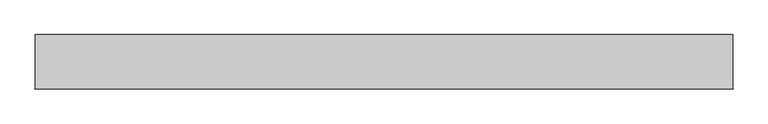
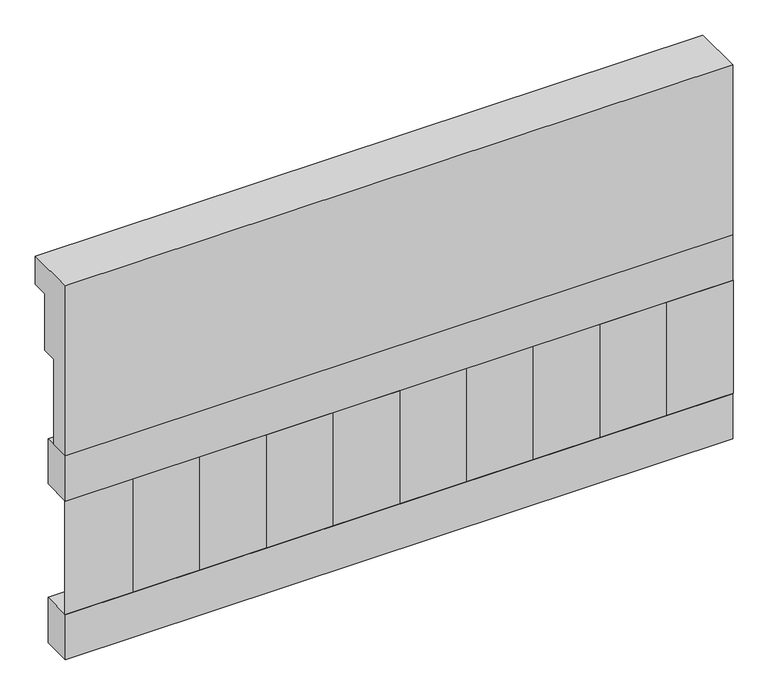
"""IFC4 building model written with IfcOpenShell, lengths in millimetres: railing geometry."""

from ifc_helpers import new_model, si_unit, frame, origin, place, context, project, spatial, polyline, outline, extrude, source, transform, mapped, element, save


def railing_546bca00(model_context):
    return source(origin(), model_context, "Body", "SweptSolid", [
        extrude(outline(polyline([(903.1079487, 15200.0), (1033.1079487, 15200.0), (1033.1079487, 15125.0), (993.1079487, 15125.0), (993.1079487, 14975.0), (953.1079487, 14975.0), (953.1079487, 14750.0), (903.1079487, 14750.0), (903.1079487, 15200.0)])), frame((-5539.9887159, 0.0, 0.0), z_axis=(1.0, 0.0, 0.0), x_axis=(0.0, 1.0, 0.0)), (0.0, 0.0, 1.0), 1670.0),
        extrude(outline(polyline([(-3869.9887159, 978.1079487), (-3869.9887159, 903.1079487), (-5539.9887159, 903.1079487), (-5539.9887159, 978.1079487), (-3869.9887159, 978.1079487)])), frame((0.0, 0.0, 14630.0), z_axis=(0.0, 0.0, 1.0), x_axis=(1.0, 0.0, 0.0)), (0.0, 0.0, 1.0), 120.0),
        extrude(outline(polyline([(-3869.9887159, 978.1079487), (-3869.9887159, 903.1079487), (-5539.9887159, 903.1079487), (-5539.9887159, 978.1079487), (-3869.9887159, 978.1079487)])), frame((0.0, 0.0, 14210.0), z_axis=(0.0, 0.0, 1.0), x_axis=(1.0, 0.0, 0.0)), (0.0, 0.0, 1.0), 120.0),
        extrude(outline(polyline([(-5456.4887159, 987.9607624), (-5371.6359022, 903.1079487), (-5541.3415296, 903.1079487), (-5456.4887159, 987.9607624)])), frame((0.0, 0.0, 14330.0), z_axis=(0.0, 0.0, 1.0), x_axis=(1.0, 0.0, 0.0)), (0.0, 0.0, 1.0), 300.0),
        extrude(outline(polyline([(-5289.4887159, 987.9607624), (-5204.6359022, 903.1079487), (-5374.3415296, 903.1079487), (-5289.4887159, 987.9607624)])), frame((0.0, 0.0, 14330.0), z_axis=(0.0, 0.0, 1.0), x_axis=(1.0, 0.0, 0.0)), (0.0, 0.0, 1.0), 300.0),
        extrude(outline(polyline([(-5122.4887159, 987.9607624), (-5037.6359022, 903.1079487), (-5207.3415296, 903.1079487), (-5122.4887159, 987.9607624)])), frame((0.0, 0.0, 14330.0), z_axis=(0.0, 0.0, 1.0), x_axis=(1.0, 0.0, 0.0)), (0.0, 0.0, 1.0), 300.0),
        extrude(outline(polyline([(-4955.4887159, 987.9607624), (-4870.6359022, 903.1079487), (-5040.3415296, 903.1079487), (-4955.4887159, 987.9607624)])), frame((0.0, 0.0, 14330.0), z_axis=(0.0, 0.0, 1.0), x_axis=(1.0, 0.0, 0.0)), (0.0, 0.0, 1.0), 300.0),
        extrude(outline(polyline([(-4788.4887159, 987.9607624), (-4703.6359022, 903.1079487), (-4873.3415296, 903.1079487), (-4788.4887159, 987.9607624)])), frame((0.0, 0.0, 14330.0), z_axis=(0.0, 0.0, 1.0), x_axis=(1.0, 0.0, 0.0)), (0.0, 0.0, 1.0), 300.0),
        extrude(outline(polyline([(-4621.4887159, 987.9607624), (-4536.6359022, 903.1079487), (-4706.3415296, 903.1079487), (-4621.4887159, 987.9607624)])), frame((0.0, 0.0, 14330.0), z_axis=(0.0, 0.0, 1.0), x_axis=(1.0, 0.0, 0.0)), (0.0, 0.0, 1.0), 300.0),
        extrude(outline(polyline([(-4454.4887159, 987.9607624), (-4369.6359022, 903.1079487), (-4539.3415296, 903.1079487), (-4454.4887159, 987.9607624)])), frame((0.0, 0.0, 14330.0), z_axis=(0.0, 0.0, 1.0), x_axis=(1.0, 0.0, 0.0)), (0.0, 0.0, 1.0), 300.0),
        extrude(outline(polyline([(-4287.4887159, 987.9607624), (-4202.6359022, 903.1079487), (-4372.3415296, 903.1079487), (-4287.4887159, 987.9607624)])), frame((0.0, 0.0, 14330.0), z_axis=(0.0, 0.0, 1.0), x_axis=(1.0, 0.0, 0.0)), (0.0, 0.0, 1.0), 300.0),
        extrude(outline(polyline([(-4120.4887159, 987.9607624), (-4035.6359022, 903.1079487), (-4205.3415296, 903.1079487), (-4120.4887159, 987.9607624)])), frame((0.0, 0.0, 14330.0), z_axis=(0.0, 0.0, 1.0), x_axis=(1.0, 0.0, 0.0)), (0.0, 0.0, 1.0), 300.0),
        extrude(outline(polyline([(-3953.4887159, 987.9607624), (-3868.6359022, 903.1079487), (-4038.3415296, 903.1079487), (-3953.4887159, 987.9607624)])), frame((0.0, 0.0, 14330.0), z_axis=(0.0, 0.0, 1.0), x_axis=(1.0, 0.0, 0.0)), (0.0, 0.0, 1.0), 300.0),
    ])


if __name__ == "__main__":
    model = new_model("IFC4")
    model_context = context("Model", 3, world=origin())
    ifc_project = project(units=[si_unit("LENGTHUNIT", "METRE", prefix="MILLI")], contexts=[model_context])
    site = spatial("IfcSite", under=ifc_project)
    building = spatial("IfcBuilding", under=site)
    placement = place(None, origin())
    railing_shape = railing_546bca00(model_context)
    element("IfcRailing", 1, at=placement, inside=building, context=model_context, shape_type="MappedRepresentation", body=[
        mapped(railing_shape, transform((0.0, 0.0, 0.0), x_axis=(1.0, 0.0, 0.0), y_axis=(0.0, 1.0, 0.0), z_axis=(0.0, 0.0, 1.0))),
    ])
    save(model, "model.ifc")
